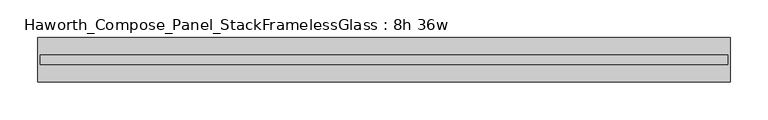
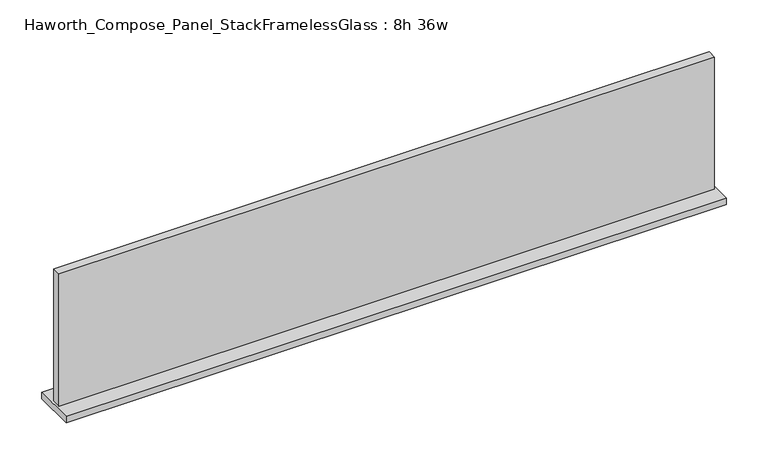
"""IFC4 building model written with IfcOpenShell, lengths in millimetres: furniture geometry, Haworth_Compose_Panel_StackFramelessGlass : 8h 36w."""

from ifc_helpers import new_model, si_unit, frame, origin, place, context, project, spatial, polyline, outline, extrude, source, transform, mapped, element, save


def haworth_compose_panel_stackframelessglass_8h_36w_a8066644(model_context):
    return source(origin(), model_context, "Body", "SweptSolid", [
        extrude(outline(polyline([(456.4652902, -27.3093594), (-451.5847098, -27.3093594), (-451.5847098, -14.6093594), (456.4652902, -14.6093594), (456.4652902, -27.3093594)])), frame((0.0, 0.0, 1279.525), z_axis=(0.0, 0.0, 1.0), x_axis=(1.0, 0.0, 0.0)), (0.0, 0.0, 1.0), 193.675),
        extrude(outline(polyline([(-454.7597098, -50.3281094), (-454.7597098, 8.4093906), (459.6402902, 8.4093906), (459.6402902, -50.3281094), (-454.7597098, -50.3281094)])), frame((0.0, 0.0, 1270.0), z_axis=(0.0, 0.0, 1.0), x_axis=(1.0, 0.0, 0.0)), (0.0, 0.0, 1.0), 9.525),
    ])


if __name__ == "__main__":
    model = new_model("IFC4")
    model_context = context("Model", 3, world=origin())
    ifc_project = project(units=[si_unit("LENGTHUNIT", "METRE", prefix="MILLI")], contexts=[model_context])
    site = spatial("IfcSite", under=ifc_project)
    building = spatial("IfcBuilding", under=site)
    placement = place(None, origin())
    haworth_compose_panel_stackframelessglass_8h_36w_shape = haworth_compose_panel_stackframelessglass_8h_36w_a8066644(model_context)
    element("IfcFurniture", 1, ObjectType="Haworth_Compose_Panel_StackFramelessGlass : 8h 36w", at=placement, inside=building, context=model_context, shape_type="MappedRepresentation", body=[
        mapped(haworth_compose_panel_stackframelessglass_8h_36w_shape, transform((0.0, 0.0, 0.0), x_axis=(1.0, 0.0, 0.0), y_axis=(0.0, 1.0, 0.0), z_axis=(0.0, 0.0, 1.0))),
    ])
    save(model, "model.ifc")
